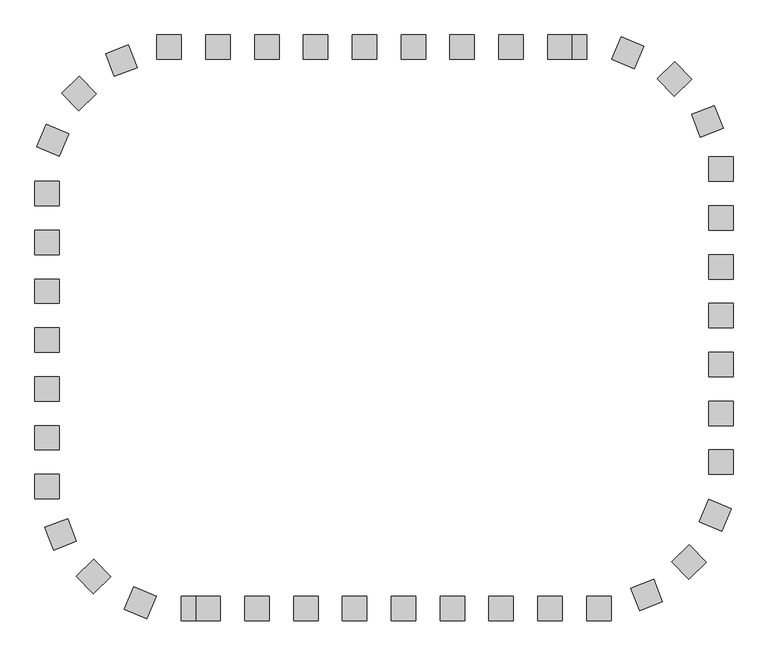
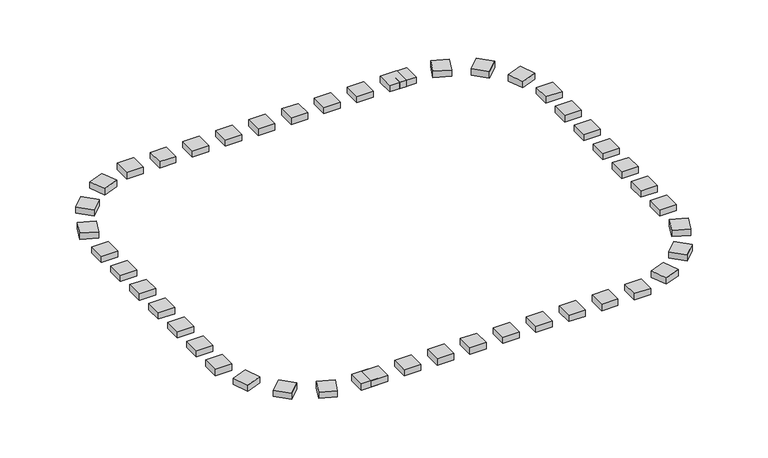
"""IFC4 building model written with IfcOpenShell, lengths in millimetres: railing geometry."""

from ifc_helpers import new_model, si_unit, origin, origin_with_axes, place, context, project, spatial, polyline, outline, extrude, source, transform, mapped, element, save


def railing_4bae285e(model_context):
    return source(origin(), model_context, "Body", "SweptSolid", [
        extrude(outline(polyline([(-32457.9798567, -274270.9184424), (-32457.9798567, -274770.9184424), (-32957.9798567, -274770.9184424), (-32957.9798567, -274270.9184424), (-32457.9798567, -274270.9184424)])), origin_with_axes(), (0.0, 0.0, 1.0), 200.0),
        extrude(outline(polyline([(-33457.9798567, -274270.9184424), (-33457.9798567, -274770.9184424), (-33957.9798567, -274770.9184424), (-33957.9798567, -274270.9184424), (-33457.9798567, -274270.9184424)])), origin_with_axes(), (0.0, 0.0, 1.0), 200.0),
        extrude(outline(polyline([(-34457.9798567, -274270.9184424), (-34457.9798567, -274770.9184424), (-34957.9798567, -274770.9184424), (-34957.9798567, -274270.9184424), (-34457.9798567, -274270.9184424)])), origin_with_axes(), (0.0, 0.0, 1.0), 200.0),
        extrude(outline(polyline([(-35457.9798567, -274270.9184424), (-35457.9798567, -274770.9184424), (-35957.9798567, -274770.9184424), (-35957.9798567, -274270.9184424), (-35457.9798567, -274270.9184424)])), origin_with_axes(), (0.0, 0.0, 1.0), 200.0),
        extrude(outline(polyline([(-36457.9798567, -274270.9184424), (-36457.9798567, -274770.9184424), (-36957.9798567, -274770.9184424), (-36957.9798567, -274270.9184424), (-36457.9798567, -274270.9184424)])), origin_with_axes(), (0.0, 0.0, 1.0), 200.0),
        extrude(outline(polyline([(-37457.9798567, -274270.9184424), (-37457.9798567, -274770.9184424), (-37957.9798567, -274770.9184424), (-37957.9798567, -274270.9184424), (-37457.9798567, -274270.9184424)])), origin_with_axes(), (0.0, 0.0, 1.0), 200.0),
        extrude(outline(polyline([(-38457.9798567, -274270.9184424), (-38457.9798567, -274770.9184424), (-38957.9798567, -274770.9184424), (-38957.9798567, -274270.9184424), (-38457.9798567, -274270.9184424)])), origin_with_axes(), (0.0, 0.0, 1.0), 200.0),
        extrude(outline(polyline([(-39457.9798567, -274270.9184424), (-39457.9798567, -274770.9184424), (-39957.9798567, -274770.9184424), (-39957.9798567, -274270.9184424), (-39457.9798567, -274270.9184424)])), origin_with_axes(), (0.0, 0.0, 1.0), 200.0),
        extrude(outline(polyline([(-41545.0531201, -274474.8011845), (-41363.8742429, -274940.8207275), (-41829.8937859, -275121.9996047), (-42011.0726631, -274655.9800617), (-41545.0531201, -274474.8011845)])), origin_with_axes(), (0.0, 0.0, 1.0), 200.0),
        extrude(outline(polyline([(-42548.0999847, -275118.8501697), (-42199.74663, -275477.5282151), (-42558.4246755, -275825.8815698), (-42906.7780302, -275467.2035244), (-42548.0999847, -275118.8501697)])), origin_with_axes(), (0.0, 0.0, 1.0), 200.0),
        extrude(outline(polyline([(-43221.1628387, -276102.6634155), (-42760.6323417, -276297.3725866), (-42955.3415128, -276757.9030836), (-43415.8720098, -276563.1939125), (-43221.1628387, -276102.6634155)])), origin_with_axes(), (0.0, 0.0, 1.0), 200.0),
        extrude(outline(polyline([(-43457.9798567, -278270.9184424), (-42957.9798567, -278270.9184424), (-42957.9798567, -278770.9184424), (-43457.9798567, -278770.9184424), (-43457.9798567, -278270.9184424)])), origin_with_axes(), (0.0, 0.0, 1.0), 200.0),
        extrude(outline(polyline([(-43457.9798567, -279270.9184424), (-42957.9798567, -279270.9184424), (-42957.9798567, -279770.9184424), (-43457.9798567, -279770.9184424), (-43457.9798567, -279270.9184424)])), origin_with_axes(), (0.0, 0.0, 1.0), 200.0),
        extrude(outline(polyline([(-43457.9798567, -280270.9184424), (-42957.9798567, -280270.9184424), (-42957.9798567, -280770.9184424), (-43457.9798567, -280770.9184424), (-43457.9798567, -280270.9184424)])), origin_with_axes(), (0.0, 0.0, 1.0), 200.0),
        extrude(outline(polyline([(-43457.9798567, -281270.9184424), (-42957.9798567, -281270.9184424), (-42957.9798567, -281770.9184424), (-43457.9798567, -281770.9184424), (-43457.9798567, -281270.9184424)])), origin_with_axes(), (0.0, 0.0, 1.0), 200.0),
        extrude(outline(polyline([(-43457.9798567, -282270.9184424), (-42957.9798567, -282270.9184424), (-42957.9798567, -282770.9184424), (-43457.9798567, -282770.9184424), (-43457.9798567, -282270.9184424)])), origin_with_axes(), (0.0, 0.0, 1.0), 200.0),
        extrude(outline(polyline([(-43254.0971146, -284357.9917058), (-42788.0775716, -284176.8128286), (-42606.8986944, -284642.8323716), (-43072.9182373, -284824.0112488), (-43254.0971146, -284357.9917058)])), origin_with_axes(), (0.0, 0.0, 1.0), 200.0),
        extrude(outline(polyline([(-42610.0481294, -285361.0385704), (-42251.3700839, -285012.6852157), (-41903.0167292, -285371.3632612), (-42261.6947747, -285719.7166159), (-42610.0481294, -285361.0385704)])), origin_with_axes(), (0.0, 0.0, 1.0), 200.0),
        extrude(outline(polyline([(-41626.2348836, -286034.1014244), (-41431.5257124, -285573.5709274), (-40970.9952154, -285768.2800985), (-41165.7043866, -286228.8105955), (-41626.2348836, -286034.1014244)])), origin_with_axes(), (0.0, 0.0, 1.0), 200.0),
        extrude(outline(polyline([(-40157.9798567, -286270.9184424), (-40157.9798567, -285770.9184424), (-39657.9798567, -285770.9184424), (-39657.9798567, -286270.9184424), (-40157.9798567, -286270.9184424)])), origin_with_axes(), (0.0, 0.0, 1.0), 200.0),
        extrude(outline(polyline([(-39157.9798567, -286270.9184424), (-39157.9798567, -285770.9184424), (-38657.9798567, -285770.9184424), (-38657.9798567, -286270.9184424), (-39157.9798567, -286270.9184424)])), origin_with_axes(), (0.0, 0.0, 1.0), 200.0),
        extrude(outline(polyline([(-38157.9798567, -286270.9184424), (-38157.9798567, -285770.9184424), (-37657.9798567, -285770.9184424), (-37657.9798567, -286270.9184424), (-38157.9798567, -286270.9184424)])), origin_with_axes(), (0.0, 0.0, 1.0), 200.0),
        extrude(outline(polyline([(-37157.9798567, -286270.9184424), (-37157.9798567, -285770.9184424), (-36657.9798567, -285770.9184424), (-36657.9798567, -286270.9184424), (-37157.9798567, -286270.9184424)])), origin_with_axes(), (0.0, 0.0, 1.0), 200.0),
        extrude(outline(polyline([(-36157.9798567, -286270.9184424), (-36157.9798567, -285770.9184424), (-35657.9798567, -285770.9184424), (-35657.9798567, -286270.9184424), (-36157.9798567, -286270.9184424)])), origin_with_axes(), (0.0, 0.0, 1.0), 200.0),
        extrude(outline(polyline([(-35157.9798567, -286270.9184424), (-35157.9798567, -285770.9184424), (-34657.9798567, -285770.9184424), (-34657.9798567, -286270.9184424), (-35157.9798567, -286270.9184424)])), origin_with_axes(), (0.0, 0.0, 1.0), 200.0),
        extrude(outline(polyline([(-34157.9798567, -286270.9184424), (-34157.9798567, -285770.9184424), (-33657.9798567, -285770.9184424), (-33657.9798567, -286270.9184424), (-34157.9798567, -286270.9184424)])), origin_with_axes(), (0.0, 0.0, 1.0), 200.0),
        extrude(outline(polyline([(-33157.9798567, -286270.9184424), (-33157.9798567, -285770.9184424), (-32657.9798567, -285770.9184424), (-32657.9798567, -286270.9184424), (-33157.9798567, -286270.9184424)])), origin_with_axes(), (0.0, 0.0, 1.0), 200.0),
        extrude(outline(polyline([(-31070.9065932, -286067.0357003), (-31252.0854705, -285601.0161573), (-30786.0659275, -285419.8372801), (-30604.8870503, -285885.856823), (-31070.9065932, -286067.0357003)])), origin_with_axes(), (0.0, 0.0, 1.0), 200.0),
        extrude(outline(polyline([(-30067.8597286, -285422.9867151), (-30416.2130833, -285064.3086696), (-30057.5350379, -284715.955315), (-29709.1816832, -285074.6333604), (-30067.8597286, -285422.9867151)])), origin_with_axes(), (0.0, 0.0, 1.0), 200.0),
        extrude(outline(polyline([(-29394.7968747, -284439.1734693), (-29855.3273717, -284244.4642982), (-29660.6182005, -283783.9338012), (-29200.0877035, -283978.6429723), (-29394.7968747, -284439.1734693)])), origin_with_axes(), (0.0, 0.0, 1.0), 200.0),
        extrude(outline(polyline([(-29157.9798567, -282270.9184424), (-29657.9798567, -282270.9184424), (-29657.9798567, -281770.9184424), (-29157.9798567, -281770.9184424), (-29157.9798567, -282270.9184424)])), origin_with_axes(), (0.0, 0.0, 1.0), 200.0),
        extrude(outline(polyline([(-29157.9798567, -281270.9184424), (-29657.9798567, -281270.9184424), (-29657.9798567, -280770.9184424), (-29157.9798567, -280770.9184424), (-29157.9798567, -281270.9184424)])), origin_with_axes(), (0.0, 0.0, 1.0), 200.0),
        extrude(outline(polyline([(-29157.9798567, -280270.9184424), (-29657.9798567, -280270.9184424), (-29657.9798567, -279770.9184424), (-29157.9798567, -279770.9184424), (-29157.9798567, -280270.9184424)])), origin_with_axes(), (0.0, 0.0, 1.0), 200.0),
        extrude(outline(polyline([(-29157.9798567, -279270.9184424), (-29657.9798567, -279270.9184424), (-29657.9798567, -278770.9184424), (-29157.9798567, -278770.9184424), (-29157.9798567, -279270.9184424)])), origin_with_axes(), (0.0, 0.0, 1.0), 200.0),
        extrude(outline(polyline([(-29157.9798567, -278270.9184424), (-29657.9798567, -278270.9184424), (-29657.9798567, -277770.9184424), (-29157.9798567, -277770.9184424), (-29157.9798567, -278270.9184424)])), origin_with_axes(), (0.0, 0.0, 1.0), 200.0),
        extrude(outline(polyline([(-29361.8625988, -276183.845179), (-29827.8821418, -276365.0240562), (-30009.061019, -275899.0045132), (-29543.041476, -275717.825636), (-29361.8625988, -276183.845179)])), origin_with_axes(), (0.0, 0.0, 1.0), 200.0),
        extrude(outline(polyline([(-30005.911584, -275180.7983143), (-30364.5896294, -275529.151669), (-30712.9429841, -275170.4736236), (-30354.2649386, -274822.1202689), (-30005.911584, -275180.7983143)])), origin_with_axes(), (0.0, 0.0, 1.0), 200.0),
        extrude(outline(polyline([(-30989.7248297, -274507.7354604), (-31184.4340009, -274968.2659574), (-31644.9644979, -274773.5567862), (-31450.2553268, -274313.0262892), (-30989.7248297, -274507.7354604)])), origin_with_axes(), (0.0, 0.0, 1.0), 200.0),
        extrude(outline(polyline([(-32157.9798567, -274270.9184424), (-32157.9798567, -274770.9184424), (-32657.9798567, -274770.9184424), (-32657.9798567, -274270.9184424), (-32157.9798567, -274270.9184424)])), origin_with_axes(), (0.0, 0.0, 1.0), 200.0),
        extrude(outline(polyline([(-40457.9798567, -274270.9184424), (-40457.9798567, -274770.9184424), (-40957.9798567, -274770.9184424), (-40957.9798567, -274270.9184424), (-40457.9798567, -274270.9184424)])), origin_with_axes(), (0.0, 0.0, 1.0), 200.0),
        extrude(outline(polyline([(-43457.9798567, -277270.9184424), (-42957.9798567, -277270.9184424), (-42957.9798567, -277770.9184424), (-43457.9798567, -277770.9184424), (-43457.9798567, -277270.9184424)])), origin_with_axes(), (0.0, 0.0, 1.0), 200.0),
        extrude(outline(polyline([(-43457.9798567, -283270.9184424), (-42957.9798567, -283270.9184424), (-42957.9798567, -283770.9184424), (-43457.9798567, -283770.9184424), (-43457.9798567, -283270.9184424)])), origin_with_axes(), (0.0, 0.0, 1.0), 200.0),
        extrude(outline(polyline([(-40457.9798567, -286270.9184424), (-40457.9798567, -285770.9184424), (-39957.9798567, -285770.9184424), (-39957.9798567, -286270.9184424), (-40457.9798567, -286270.9184424)])), origin_with_axes(), (0.0, 0.0, 1.0), 200.0),
        extrude(outline(polyline([(-32157.9798567, -286270.9184424), (-32157.9798567, -285770.9184424), (-31657.9798567, -285770.9184424), (-31657.9798567, -286270.9184424), (-32157.9798567, -286270.9184424)])), origin_with_axes(), (0.0, 0.0, 1.0), 200.0),
        extrude(outline(polyline([(-29157.9798567, -283270.9184424), (-29657.9798567, -283270.9184424), (-29657.9798567, -282770.9184424), (-29157.9798567, -282770.9184424), (-29157.9798567, -283270.9184424)])), origin_with_axes(), (0.0, 0.0, 1.0), 200.0),
        extrude(outline(polyline([(-29157.9798567, -277270.9184424), (-29657.9798567, -277270.9184424), (-29657.9798567, -276770.9184424), (-29157.9798567, -276770.9184424), (-29157.9798567, -277270.9184424)])), origin_with_axes(), (0.0, 0.0, 1.0), 200.0),
    ])


if __name__ == "__main__":
    model = new_model("IFC4")
    model_context = context("Model", 3, world=origin())
    ifc_project = project(units=[si_unit("LENGTHUNIT", "METRE", prefix="MILLI")], contexts=[model_context])
    site = spatial("IfcSite", under=ifc_project)
    building = spatial("IfcBuilding", under=site)
    placement = place(None, origin())
    railing_shape = railing_4bae285e(model_context)
    element("IfcRailing", 1, at=placement, inside=building, context=model_context, shape_type="MappedRepresentation", body=[
        mapped(railing_shape, transform((0.0, 0.0, 0.0), x_axis=(1.0, 0.0, 0.0), y_axis=(0.0, 1.0, 0.0), z_axis=(0.0, 0.0, 1.0))),
    ])
    save(model, "model.ifc")
